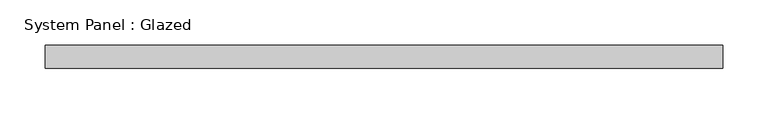
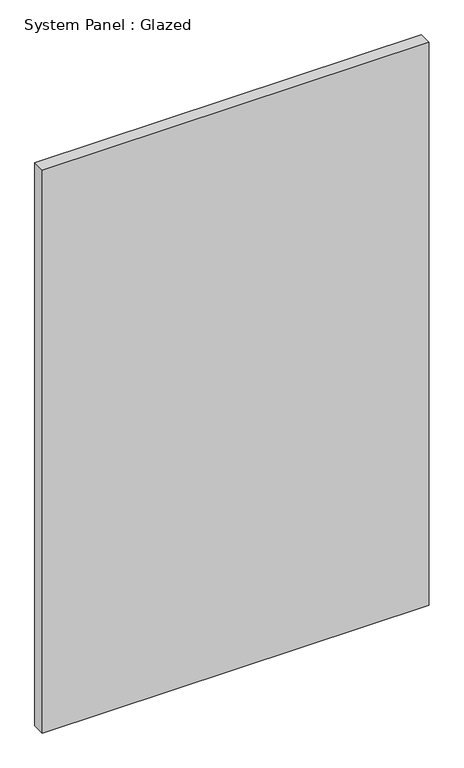
"""IFC4 building model written with IfcOpenShell, lengths in millimetres: plate geometry, System Panel : Glazed."""

from ifc_helpers import new_model, si_unit, origin, origin_with_axes, place, context, project, spatial, polyline, outline, extrude, source, transform, mapped, element, save


def system_panel_glazed_1e7bb58b(model_context):
    return source(origin(), model_context, "Body", "SweptSolid", [
        extrude(outline(polyline([(373.5382381, -12.7), (-373.5382381, -12.7), (-373.5382381, 12.7), (373.5382381, 12.7), (373.5382381, -12.7)])), origin_with_axes(), (0.0, 0.0, 1.0), 1149.35),
    ])


if __name__ == "__main__":
    model = new_model("IFC4")
    model_context = context("Model", 3, world=origin())
    ifc_project = project(units=[si_unit("LENGTHUNIT", "METRE", prefix="MILLI")], contexts=[model_context])
    site = spatial("IfcSite", under=ifc_project)
    building = spatial("IfcBuilding", under=site)
    placement = place(None, origin())
    system_panel_glazed_shape = system_panel_glazed_1e7bb58b(model_context)
    element("IfcPlate", 1, ObjectType="System Panel : Glazed", at=placement, inside=building, context=model_context, shape_type="MappedRepresentation", body=[
        mapped(system_panel_glazed_shape, transform((0.0, 0.0, 0.0), x_axis=(1.0, 0.0, 0.0), y_axis=(0.0, 1.0, 0.0), z_axis=(0.0, 0.0, 1.0))),
    ])
    save(model, "model.ifc")
